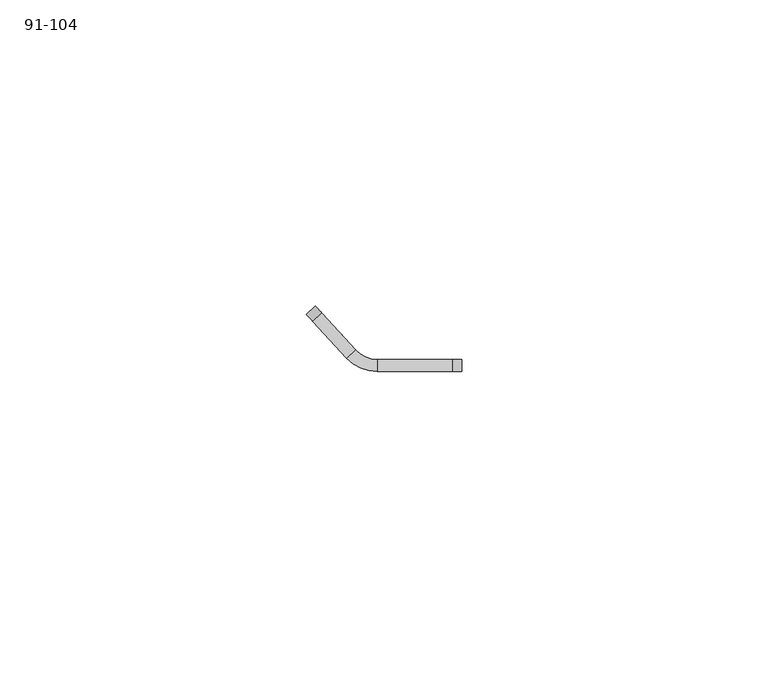
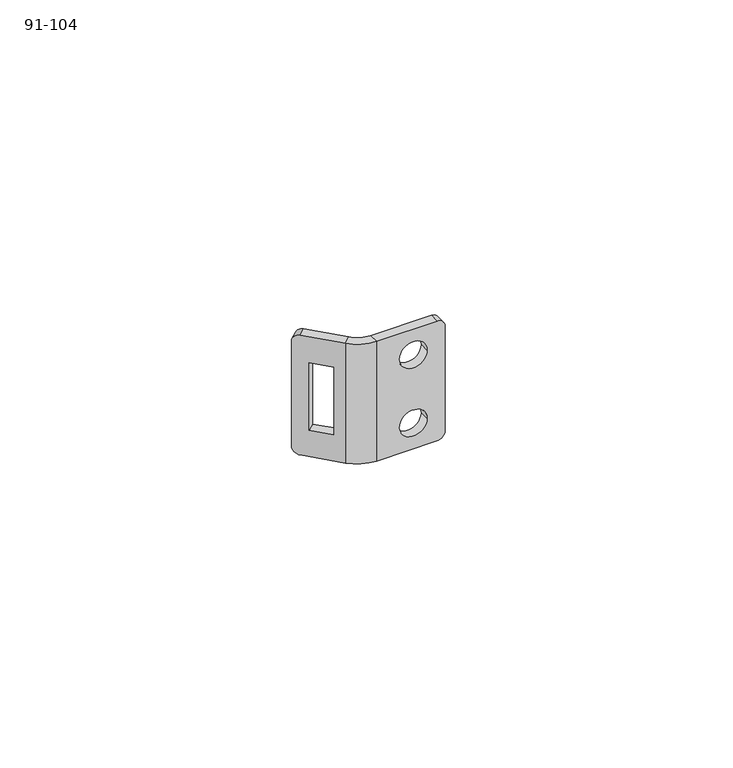
"""IFC4 building model written with IfcOpenShell, lengths in millimetres: proxy geometry, 91-104."""

from ifc_helpers import new_model, si_unit, frame, origin, place, context, project, spatial, polyline, circle_curve, source, transform, mapped, element, save
from ifc_brep_helpers import plane_surface, cylinder_surface, revolved_surface, advanced_brep


def proxy_91_104_607a5a01(model_context):
    return source(origin(), model_context, "Body", "AdvancedBrep", [
        advanced_brep(
        [(6.7614, -2.0, 7.239), (6.7614, 0.0, 7.239), (12.2986, 0.0, 7.239), (12.2986, -2.0, 7.239), (6.7614, -2.0, -7.239), (6.7614, 0.0, -7.239), (12.2986, 0.0, -7.239), (12.2986, -2.0, -7.239), (2.0839416, -2.0, 12.7), (2.0839416, 0.0, 12.7), (-1.413569, 1.5312202, 12.7), (-2.8831113, 0.17459, 12.7), (14.29, -2.0, 12.7), (14.29, 0.0, 12.7), (-2.8831113, 0.17459, -12.7), (-1.413569, 1.5312202, -12.7), (2.0839416, 0.0, -12.7), (2.0839416, -2.0, -12.7), (-8.4410212, 6.1950837, -12.7), (-6.9714789, 7.5517139, -12.7), (-8.0499999, 8.72, -11.11), (-8.0499999, 8.72, 11.11), (-6.9714789, 7.5517139, 12.7), (-2.8573893, 3.0952093, 7.145), (-5.8894578, 6.3796363, 7.145), (-5.8894578, 6.3796363, -7.145), (-2.8573893, 3.0952093, -7.145), (-9.5195422, 7.3633698, -11.11), (-9.5195422, 7.3633698, 11.11), (-8.4410212, 6.1950837, 12.7), (-7.3590001, 5.0230062, -7.145), (-7.3590001, 5.0230062, 7.145), (-4.3269316, 1.7385791, 7.145), (-4.3269316, 1.7385791, -7.145), (14.29, -2.0, -12.7), (15.88, -2.0, -11.11), (15.88, -2.0, 11.11), (15.88, 0.0, -11.11), (15.88, 0.0, 11.11), (14.29, 0.0, -12.7)],
        [
            (0, 1),
            (1, 2, circle_curve(frame((9.53, 0.0, 7.239), z_axis=(0.0, 1.0, 0.0), x_axis=(-1.0, 0.0, 0.0)), 2.7686)),
            (2, 3),
            (3, 0, circle_curve(frame((9.53, -2.0, 7.239), z_axis=(0.0, -1.0, 0.0), x_axis=(-1.0, 0.0, 0.0)), 2.7686)),
            (4, 5),
            (5, 6, circle_curve(frame((9.53, 0.0, -7.239), z_axis=(0.0, 1.0, 0.0), x_axis=(-1.0, 0.0, 0.0)), 2.7686)),
            (6, 7),
            (7, 4, circle_curve(frame((9.53, -2.0, -7.239), z_axis=(0.0, -1.0, 0.0), x_axis=(-1.0, 0.0, 0.0)), 2.7686)),
            (4, 7, circle_curve(frame((9.53, -2.0, -7.239), z_axis=(0.0, -1.0, 0.0), x_axis=(-1.0, 0.0, 0.0)), 2.7686)),
            (6, 5, circle_curve(frame((9.53, 0.0, -7.239), z_axis=(0.0, 1.0, 0.0), x_axis=(-1.0, 0.0, 0.0)), 2.7686)),
            (0, 3, circle_curve(frame((9.53, -2.0, 7.239), z_axis=(0.0, -1.0, 0.0), x_axis=(-1.0, 0.0, 0.0)), 2.7686)),
            (2, 1, circle_curve(frame((9.53, 0.0, 7.239), z_axis=(0.0, 1.0, 0.0), x_axis=(-1.0, 0.0, 0.0)), 2.7686)),
            (8, 9),
            (9, 10, circle_curve(frame((2.0839416, 4.76, 12.7), z_axis=(0.0, 0.0, -1.0), x_axis=(-1.0, 0.0, 0.0)), 4.76)),
            (10, 11),
            (11, 8, circle_curve(frame((2.0839416, 4.76, 12.7), z_axis=(0.0, 0.0, 1.0), x_axis=(-1.0, 0.0, 0.0)), 6.76)),
            (8, 12),
            (12, 13),
            (13, 9),
            (14, 15),
            (15, 16, circle_curve(frame((2.0839416, 4.76, -12.7), z_axis=(0.0, 0.0, 1.0), x_axis=(-1.0, 0.0, 0.0)), 4.76)),
            (16, 17),
            (17, 14, circle_curve(frame((2.0839416, 4.76, -12.7), z_axis=(0.0, 0.0, -1.0), x_axis=(-1.0, 0.0, 0.0)), 6.76)),
            (14, 18),
            (18, 19),
            (19, 15),
            (20, 21),
            (21, 22, circle_curve(frame((-6.9714789, 7.5517139, 11.11), z_axis=(0.7347711439638405, 0.678315093447042, 0.0), x_axis=(-0.678315093447042, 0.7347711439638405, 0.0)), 1.59)),
            (22, 10),
            (10, 15),
            (19, 20, circle_curve(frame((-6.9714789, 7.5517139, -11.11), z_axis=(0.7347711439638404, 0.678315093447042, 0.0), x_axis=(-0.678315093447042, 0.7347711439638404, 0.0)), 1.59)),
            (23, 24),
            (24, 25),
            (25, 26),
            (26, 23),
            (27, 28),
            (28, 21),
            (20, 27),
            (11, 29),
            (29, 28, circle_curve(frame((-8.4410212, 6.1950837, 11.11), z_axis=(-0.7347711439638405, -0.678315093447042, 0.0), x_axis=(-0.678315093447042, 0.7347711439638405, 0.0)), 1.59)),
            (27, 18, circle_curve(frame((-8.4410212, 6.1950837, -11.11), z_axis=(-0.7347711439638404, -0.678315093447042, 0.0), x_axis=(-0.678315093447042, 0.7347711439638404, 0.0)), 1.59)),
            (14, 11),
            (30, 31),
            (31, 32),
            (32, 33),
            (33, 30),
            (17, 8),
            (17, 34),
            (34, 35, circle_curve(frame((14.29, -2.0, -11.11), z_axis=(0.0, -1.0, 0.0), x_axis=(0.0, 0.0, 1.0)), 1.59)),
            (35, 36),
            (36, 12, circle_curve(frame((14.29, -2.0, 11.11), z_axis=(0.0, -1.0, 0.0), x_axis=(0.0, 0.0, -1.0)), 1.59)),
            (35, 37),
            (37, 38),
            (38, 36),
            (37, 39, circle_curve(frame((14.29, 0.0, -11.11), z_axis=(0.0, 1.0, 0.0), x_axis=(0.0, 0.0, 1.0)), 1.59)),
            (39, 16),
            (16, 9),
            (13, 38, circle_curve(frame((14.29, 0.0, 11.11), z_axis=(0.0, 1.0, 0.0), x_axis=(0.0, 0.0, -1.0)), 1.59)),
            (22, 29),
            (39, 34),
            (30, 25),
            (24, 31),
            (33, 26),
            (32, 23),
        ],
        [
            revolved_surface(polyline([(6.761399999999999, -2.0, 7.239), (6.761399999999999, 0.0, 7.239)]), (9.53, 0.0, 7.239), (0.0, -1.0, 0.0)),
            revolved_surface(polyline([(6.761399999999999, -2.0, -7.239), (6.761399999999999, 0.0, -7.239)]), (9.53, 0.0, -7.239), (0.0, -1.0, 0.0)),
            plane_surface(frame((2.0839416, 0.0, 12.7), z_axis=(0.0, 0.0, 1.0), x_axis=(1.0, 0.0, 0.0))),
            plane_surface(frame((-2.8831113, 0.17459, 12.7), z_axis=(0.0, 0.0, 1.0), x_axis=(1.0, 0.0, 0.0))),
            plane_surface(frame((-1.413569, 1.5312202, -12.7), z_axis=(0.0, 0.0, -1.0), x_axis=(-1.0, 0.0, 0.0))),
            plane_surface(frame((2.0839416, -2.0, -12.7), z_axis=(0.0, 0.0, -1.0), x_axis=(-1.0, 0.0, 0.0))),
            plane_surface(frame((-1.413569, 1.5312202, 12.7), z_axis=(0.7347711439638404, 0.6783150934470422, 0.0), x_axis=(0.6783150934470422, -0.7347711439638404, 0.0))),
            plane_surface(frame((-9.5195422, 7.3633698, 12.7), z_axis=(-0.6783150934470419, 0.7347711439638405, 0.0), x_axis=(-0.7347711439638405, -0.6783150934470419, 0.0))),
            plane_surface(frame((-2.8831113, 0.17459, 12.7), z_axis=(-0.7347711439638404, -0.6783150934470422, 0.0), x_axis=(0.6783150934470422, -0.7347711439638404, 0.0))),
            cylinder_surface(frame((2.0839416, 4.76, 12.7), z_axis=(0.0, 0.0, -1.0), x_axis=(-1.0, 0.0, 0.0)), 6.76),
            plane_surface(frame((2.0839416, -2.0, 12.7), z_axis=(0.0, -1.0, 0.0), x_axis=(0.0, 0.0, -1.0))),
            plane_surface(frame((15.88, 0.0, 12.7), z_axis=(1.0, 0.0, 0.0), x_axis=(0.0, 0.0, -1.0))),
            plane_surface(frame((2.0839416, 0.0, 12.7), z_axis=(0.0, 1.0, 0.0), x_axis=(0.0, 0.0, -1.0))),
            revolved_surface(polyline([(-2.6760583999999996, 4.76, -12.7), (-2.6760583999999996, 4.76, 12.7)]), (2.0839416, 4.76, 12.7), (0.0, 0.0, -1.0)),
            plane_surface(frame((2.0839416, 4.76, 12.7), z_axis=(0.0, 0.0, 1.0), x_axis=(1.0, 0.0, 0.0))),
            plane_surface(frame((2.0839416, 4.76, -12.7), z_axis=(0.0, 0.0, -1.0), x_axis=(1.0, 0.0, 0.0))),
            cylinder_surface(frame((-8.4410212, 6.1950837, 11.11), z_axis=(0.7347711439638405, 0.678315093447042, 0.0), x_axis=(-0.678315093447042, 0.7347711439638405, 0.0)), 1.59),
            cylinder_surface(frame((-6.8431952, 7.6701409, -11.11), z_axis=(0.7347711439638402, 0.6783150934470419, 0.0), x_axis=(-0.678315093447042, 0.7347711439638404, 0.0)), 1.59),
            cylinder_surface(frame((14.29, 4.76, -11.11), z_axis=(0.0, 1.0, 0.0), x_axis=(0.0, 0.0, 1.0)), 1.59),
            cylinder_surface(frame((14.29, 0.0, 11.11), z_axis=(0.0, -1.0, 0.0), x_axis=(0.0, 0.0, -1.0)), 1.59),
            plane_surface(frame((-13.2371692, -0.4035146, 7.145), z_axis=(0.6783150934470422, -0.7347711439638404, 0.0), x_axis=(-0.7347711439638404, -0.6783150934470422, 0.0))),
            plane_surface(frame((-13.2371692, -0.4035146, -7.145), z_axis=(0.0, 0.0, 1.0), x_axis=(-1.0, 0.0, 0.0))),
            plane_surface(frame((-10.2051007, -3.6879416, 7.145), z_axis=(-0.6783150934470422, 0.7347711439638404, 0.0), x_axis=(0.7347711439638404, 0.6783150934470422, 0.0))),
            plane_surface(frame((-13.2371692, -0.4035146, 7.145), z_axis=(0.0, 0.0, -1.0), x_axis=(1.0, 0.0, 0.0))),
        ],
        [
            (0, [[1, 2, 3, 4]]),
            (1, [[5, 6, 7, 8]]),
            (1, [[-5, 9, -7, 10]]),
            (0, [[-1, 11, -3, 12]]),
            (2, [[13, 14, 15, 16]]),
            (3, [[17, 18, 19, -13]]),
            (4, [[20, 21, 22, 23]]),
            (5, [[24, 25, 26, -20]]),
            (6, [[27, 28, 29, 30, -26, 31], [32, 33, 34, 35]]),
            (7, [[36, 37, -27, 38]]),
            (8, [[39, 40, -36, 41, -24, 42], [43, 44, 45, 46]]),
            (9, [[-23, 47, -16, -42]]),
            (10, [[48, 49, 50, 51, -17, -47], [-9, -8], [-11, -4]]),
            (11, [[-50, 52, 53, 54]]),
            (12, [[-53, 55, 56, 57, -19, 58], [-2, -12], [-6, -10]]),
            (13, [[-21, -30, -14, -57]]),
            (14, [[-29, 59, -39, -15]]),
            (15, [[-56, 60, -48, -22]]),
            (16, [[-40, -59, -28, -37]]),
            (17, [[-41, -38, -31, -25]]),
            (18, [[-55, -52, -49, -60]]),
            (19, [[-58, -18, -51, -54]]),
            (20, [[-43, 61, -33, 62]]),
            (21, [[-46, 63, -34, -61]]),
            (22, [[-45, 64, -35, -63]]),
            (23, [[-44, -62, -32, -64]]),
        ],
    ),
    ])


if __name__ == "__main__":
    model = new_model("IFC4")
    model_context = context("Model", 3, world=origin())
    ifc_project = project(units=[si_unit("LENGTHUNIT", "METRE", prefix="MILLI")], contexts=[model_context])
    site = spatial("IfcSite", under=ifc_project)
    building = spatial("IfcBuilding", under=site)
    placement = place(None, origin())
    proxy_91_104_shape = proxy_91_104_607a5a01(model_context)
    element("IfcBuildingElementProxy", 1, Name="91-104", ObjectType="91-104", at=placement, inside=building, context=model_context, shape_type="MappedRepresentation", body=[
        mapped(proxy_91_104_shape, transform((0.0, 0.0, 0.0), x_axis=(1.0, 0.0, 0.0), y_axis=(0.0, 1.0, 0.0), z_axis=(0.0, 0.0, 1.0))),
    ])
    save(model, "model.ifc")
